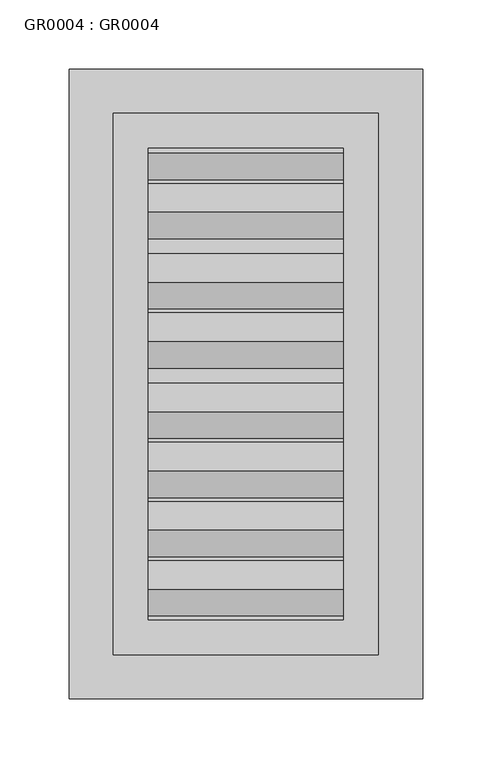
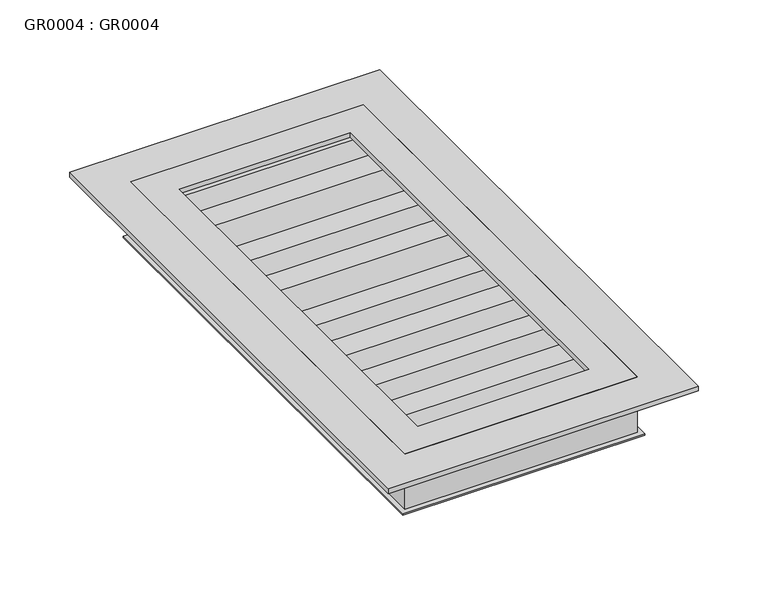
"""IFC4 building model written with IfcOpenShell, lengths in millimetres: proxy geometry, GR0004 : GR0004."""

from ifc_helpers import new_model, si_unit, frame, origin, origin_with_axes, place, context, project, spatial, polyline, outline, extrude, source, transform, mapped, element, save


def gr0004_gr0004_80efb607(model_context):
    return source(origin(), model_context, "Body", "SweptSolid", [
        extrude(outline(polyline([(-99.9998, 199.9996), (99.9998, 199.9996), (99.9998, -199.9996), (-99.9998, -199.9996), (-99.9998, 199.9996)]), holes=[polyline([(-95.9993, 195.9991), (-95.9993, -195.9991), (95.9993, -195.9991), (95.9993, 195.9991), (-95.9993, 195.9991)])]), frame((0.0, 0.0, -45.72), z_axis=(0.0, 0.0, 1.0), x_axis=(1.0, 0.0, 0.0)), (0.0, 0.0, 1.0), 1.27),
        extrude(outline(polyline([(94.2994788, -3.2126497), (75.2494788, -3.2126497), (55.8799837, -42.926), (40.1463808, -42.926), (40.1463808, -40.2852007), (54.315471, -40.2852007), (73.7223071, -0.4952899), (94.2994788, -0.4952899), (94.2994788, -3.2126497)])), frame((-93.4593, 0.0, 0.0), z_axis=(1.0, 0.0, 0.0), x_axis=(0.0, 1.0, 0.0)), (0.0, 0.0, 1.0), 186.9186),
        extrude(outline(polyline([(51.4369788, -3.2126497), (32.3869788, -3.2126497), (13.0174837, -42.926), (-2.7161192, -42.926), (-2.7161192, -40.2852007), (11.452971, -40.2852007), (30.8598071, -0.4952899), (51.4369788, -0.4952899), (51.4369788, -3.2126497)])), frame((-93.4593, 0.0, 0.0), z_axis=(1.0, 0.0, 0.0), x_axis=(0.0, 1.0, 0.0)), (0.0, 0.0, 1.0), 186.9186),
        extrude(outline(polyline([(0.6369788, -3.2126497), (-18.4130212, -3.2126497), (-37.7825163, -42.926), (-53.5161192, -42.926), (-53.5161192, -40.2852007), (-39.347029, -40.2852007), (-19.9401929, -0.4952899), (0.6369788, -0.4952899), (0.6369788, -3.2126497)])), frame((-93.4593, 0.0, 0.0), z_axis=(1.0, 0.0, 0.0), x_axis=(0.0, 1.0, 0.0)), (0.0, 0.0, 1.0), 186.9186),
        extrude(outline(polyline([(-42.2255212, -3.2126497), (-61.2755212, -3.2126497), (-80.6450163, -42.926), (-93.5763449, -42.926), (-93.5763449, -40.2852007), (-82.209529, -40.2852007), (-62.8026929, -0.4952899), (-42.2255212, -0.4952899), (-42.2255212, -3.2126497)])), frame((-93.4593, 0.0, 0.0), z_axis=(1.0, 0.0, 0.0), x_axis=(0.0, 1.0, 0.0)), (0.0, 0.0, 1.0), 186.9186),
        extrude(outline(polyline([(-85.0880212, -3.2126497), (-104.1380212, -3.2126497), (-123.5075163, -42.926), (-136.4388449, -42.926), (-136.4388449, -40.2852007), (-125.072029, -40.2852007), (-105.6651929, -0.4952899), (-85.0880212, -0.4952899), (-85.0880212, -3.2126497)])), frame((-93.4593, 0.0, 0.0), z_axis=(1.0, 0.0, 0.0), x_axis=(0.0, 1.0, 0.0)), (0.0, 0.0, 1.0), 186.9186),
        extrude(outline(polyline([(-127.9505212, -3.2126497), (-147.0005212, -3.2126497), (-166.3700163, -42.926), (-179.3013449, -42.926), (-179.3013449, -40.2852007), (-167.934529, -40.2852007), (-148.5276929, -0.4952899), (-127.9505212, -0.4952899), (-127.9505212, -3.2126497)])), frame((-93.4593, 0.0, 0.0), z_axis=(1.0, 0.0, 0.0), x_axis=(0.0, 1.0, 0.0)), (0.0, 0.0, 1.0), 186.9186),
        extrude(outline(polyline([(187.9619788, -3.2126497), (168.9119788, -3.2126497), (149.5424837, -42.926), (133.8088808, -42.926), (133.8088808, -40.2852007), (147.977971, -40.2852007), (167.3848071, -0.4952899), (187.9619788, -0.4952899), (187.9619788, -3.2126497)])), frame((-93.4593, 0.0, 0.0), z_axis=(1.0, 0.0, 0.0), x_axis=(0.0, 1.0, 0.0)), (0.0, 0.0, 1.0), 186.9186),
        extrude(outline(polyline([(145.0994788, -3.2126497), (126.0494788, -3.2126497), (106.6799837, -42.926), (90.9463808, -42.926), (90.9463808, -40.2852007), (105.115471, -40.2852007), (124.5223071, -0.4952899), (145.0994788, -0.4952899), (145.0994788, -3.2126497)])), frame((-93.4593, 0.0, 0.0), z_axis=(1.0, 0.0, 0.0), x_axis=(0.0, 1.0, 0.0)), (0.0, 0.0, 1.0), 186.9186),
        extrude(outline(polyline([(-95.9993, 195.9991), (95.9993, 195.9991), (95.9993, -195.9991), (-95.9993, -195.9991), (-95.9993, 195.9991)]), holes=[polyline([(-93.4593, 193.4591), (-93.4593, -193.4591), (93.4593, -193.4591), (93.4593, 193.4591), (-93.4593, 193.4591)])]), frame((0.0, 0.0, -44.45), z_axis=(0.0, 0.0, 1.0), x_axis=(1.0, 0.0, 0.0)), (0.0, 0.0, 1.0), 44.45),
        extrude(outline(polyline([(-95.9993, 195.9991), (95.9993, 195.9991), (95.9993, -195.9991), (-95.9993, -195.9991), (-95.9993, 195.9991)]), holes=[polyline([(-70.5993, 170.5991), (-70.5993, -170.5991), (70.5993, -170.5991), (70.5993, 170.5991), (-70.5993, 170.5991)])]), origin_with_axes(), (0.0, 0.0, 1.0), 4.064),
        extrude(outline(polyline([(-128.0033, 228.0031), (128.0033, 228.0031), (128.0033, -228.0031), (-128.0033, -228.0031), (-128.0033, 228.0031)]), holes=[polyline([(-95.9993, 195.9991), (-95.9993, -195.9991), (95.9993, -195.9991), (95.9993, 195.9991), (-95.9993, 195.9991)])]), origin_with_axes(), (0.0, 0.0, 1.0), 4.064),
    ])


if __name__ == "__main__":
    model = new_model("IFC4")
    model_context = context("Model", 3, world=origin())
    ifc_project = project(units=[si_unit("LENGTHUNIT", "METRE", prefix="MILLI")], contexts=[model_context])
    site = spatial("IfcSite", under=ifc_project)
    building = spatial("IfcBuilding", under=site)
    placement = place(None, origin())
    gr0004_gr0004_shape = gr0004_gr0004_80efb607(model_context)
    element("IfcBuildingElementProxy", 1, Name="GR0004 : GR0004", ObjectType="GR0004 : GR0004", at=placement, inside=building, context=model_context, shape_type="MappedRepresentation", body=[
        mapped(gr0004_gr0004_shape, transform((0.0, 0.0, 0.0), x_axis=(1.0, 0.0, 0.0), y_axis=(0.0, 1.0, 0.0), z_axis=(0.0, 0.0, 1.0))),
    ])
    save(model, "model.ifc")
